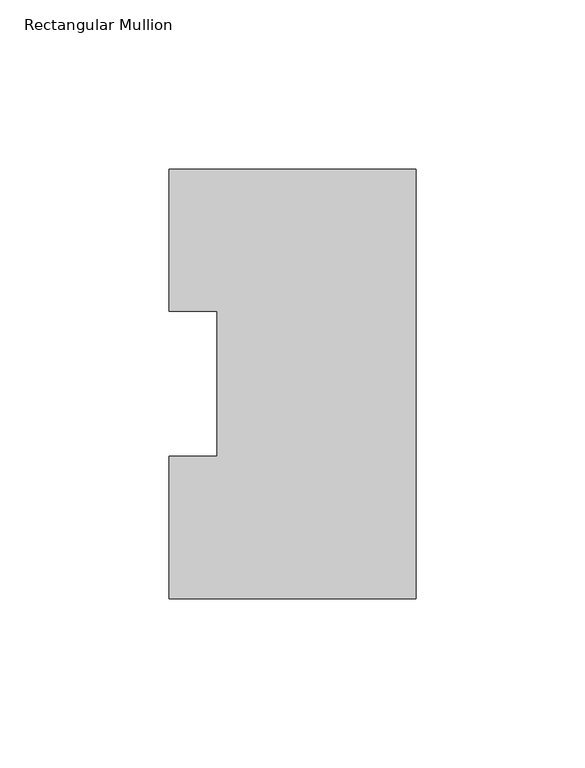
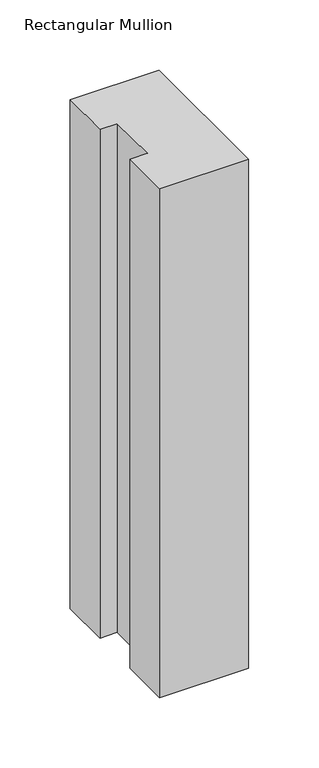
"""IFC4 building model written with IfcOpenShell, lengths in millimetres: member geometry, Rectangular Mullion."""

from ifc_helpers import new_model, si_unit, frame, origin, place, context, project, spatial, polyline, outline, extrude, source, transform, mapped, element, save


def rectangular_mullion_b5567b6b(model_context):
    return source(origin(), model_context, "Body", "SweptSolid", [
        extrude(outline(polyline([(0.0, 127.006348), (0.0, 0.0063465), (-73.025, 0.0063465), (-73.025, 42.0814491), (-58.7375, 42.0814491), (-58.7375, 84.93125), (-73.025, 84.93125), (-73.025, 127.006348), (0.0, 127.006348)])), frame((0.0, 0.0, -441.325), z_axis=(0.0, 0.0, 1.0), x_axis=(1.0, 0.0, 0.0)), (0.0, 0.0, 1.0), 441.325),
    ])


if __name__ == "__main__":
    model = new_model("IFC4")
    model_context = context("Model", 3, world=origin())
    ifc_project = project(units=[si_unit("LENGTHUNIT", "METRE", prefix="MILLI")], contexts=[model_context])
    site = spatial("IfcSite", under=ifc_project)
    building = spatial("IfcBuilding", under=site)
    placement = place(None, origin())
    rectangular_mullion_shape = rectangular_mullion_b5567b6b(model_context)
    element("IfcMember", 1, ObjectType="Rectangular Mullion", at=placement, inside=building, context=model_context, shape_type="MappedRepresentation", body=[
        mapped(rectangular_mullion_shape, transform((0.0, 0.0, 0.0), x_axis=(1.0, 0.0, 0.0), y_axis=(0.0, 1.0, 0.0), z_axis=(0.0, 0.0, 1.0))),
    ])
    save(model, "model.ifc")
